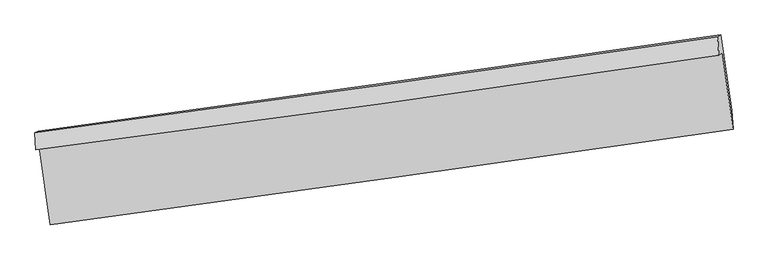
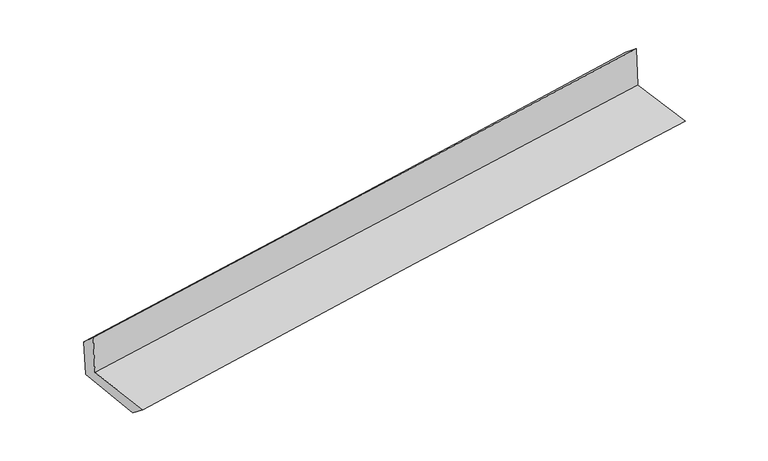
"""IFC4 building model written with IfcOpenShell, lengths in millimetres: proxy geometry."""

from ifc_helpers import new_model, si_unit, frame, origin, place, context, project, spatial, source, transform, mapped, element, save
from ifc_brep_helpers import plane_surface, spline_curve, spline_surface, advanced_brep


def generic_models_d4cd4dc3(model_context):
    return source(origin(), model_context, "Body", "AdvancedBrep", [
        advanced_brep(
        [(-2993.3981403, -1906.8928079, 1649.6365948), (-2898.9190548, -2580.2905794, 1628.9964927), (3039.4842761, -1750.192768, 2119.7109066), (2946.5088968, -1082.1463468, 2132.3544425), (-3023.8662984, -1927.9892633, 2047.8817136), (2915.2748522, -1103.7731096, 2540.6103588), (-3032.8904449, -1780.9173219, 1913.8450213), (2904.076613, -943.1751056, 2410.55072), (-3004.3359561, -1766.7222203, 1549.7781721), (2932.8312931, -928.880225, 2043.9221963), (-2910.0771055, -2422.9920857, 1503.6154836), (3027.0330507, -1585.4107738, 1997.7343004)],
        [
            (0, 1),
            (1, 2, spline_curve(3, [(-2898.9190548, -2580.2905794, 1628.9964927), (-1909.040790664, -2445.015402993, 1726.097300871), (-918.892532758, -2308.154095874, 1815.563560776), (1060.575989472, -2031.450446911, 1979.113956691), (2049.895508801, -1891.612483265, 2053.219168307), (3039.4842761, -1750.192768, 2119.7109066)], [4, 2, 4], [0.0, 9.87626788793948, 19.73889453308813])),
            (2, 3),
            (3, 0, spline_curve(3, [(2946.5088968, -1082.1463468, 2132.3544425), (1957.622413612, -1230.486538639, 2064.387728666), (968.529143614, -1373.341802417, 1990.209979544), (-1011.439296386, -1648.27247229, 1829.321223541), (-2002.31503864, -1780.332695867, 1742.59302336), (-2993.3981403, -1906.8928079, 1649.6365948)], [4, 2, 4], [0.0, 9.862626645148648, 19.73889453308813])),
            (4, 0),
            (3, 5),
            (5, 4, spline_curve(3, [(2915.2748522, -1103.7731096, 2540.6103588), (1926.652578919, -1251.93035993, 2469.1901941), (937.755240781, -1394.6499584, 2392.451445708), (-1041.957714792, -1669.403728454, 2228.223286968), (-2032.774093414, -1801.42284823, 2140.71915338), (-3023.8662984, -1927.9892633, 2047.8817136)], [4, 2, 4], [0.0, 9.862709481097893, 19.739060319559066])),
            (6, 4),
            (5, 7),
            (7, 6, spline_curve(3, [(2904.076613, -943.1751056, 2410.55072), (1915.765301998, -1087.817412611, 2328.597444792), (927.204476163, -1229.903939283, 2246.257538074), (-1051.783852195, -1509.158419542, 2080.690042407), (-2042.212045992, -1646.319298485, 1997.461382513), (-3032.8904449, -1780.9173219, 1913.8450213)], [4, 2, 4], [0.0, 9.86254174483152, 19.738724615026143])),
            (8, 6),
            (7, 9),
            (9, 8, spline_curve(3, [(2932.8312931, -928.880225, 2043.9221963), (1944.550260069, -1073.50849669, 1961.619208873), (955.987924232, -1215.596304, 1879.317503376), (-1023.06704692, -1494.884001781, 1714.602825274), (-2013.560460928, -1632.076859178, 1632.189855937), (-3004.3359561, -1766.7222203, 1549.7781721)], [4, 2, 4], [0.0, 9.862503055170121, 19.738647182190718])),
            (10, 8),
            (9, 11),
            (11, 10, spline_curve(3, [(3027.0330507, -1585.4107738, 1997.7343004), (2038.625768473, -1726.593552038, 1915.700459123), (1050.005015349, -1866.9357286, 1833.535517847), (-929.031112215, -2146.131825878, 1668.829608263), (-1919.447078075, -2284.983420088, 1586.288277673), (-2910.0771055, -2422.9920857, 1503.6154836)], [4, 2, 4], [0.0, 9.862408227912143, 19.738457396516836])),
            (1, 10),
            (11, 2),
        ],
        [
            spline_surface(3, 3, [[(-2993.3981403, -1906.8928079, 1649.6365948), (-2002.315038608, -1780.332696017, 1742.59302332), (-1011.439296354, -1648.272472454, 1829.321223512), (968.529143582, -1373.341802253, 1990.209979572), (1957.622413716, -1230.486538772, 2064.38772865), (2946.5088968, -1082.1463468, 2132.3544425)], [(-2961.905111801, -2131.358731738, 1642.75656076), (-1971.223622579, -2001.8935983, 1737.094449175), (-980.590375156, -1868.233013619, 1824.735335927), (999.211425557, -1592.711350485, 1986.511305291), (1988.380112052, -1450.861853646, 2060.664875174), (2977.500689888, -1304.828487213, 2128.139930549)], [(-2930.412083299, -2355.824655562, 1635.87652674), (-1940.132206546, -2223.454500567, 1731.595875051), (-949.741453975, -2088.193554728, 1820.149448332), (1029.893707515, -1812.080898661, 1982.812631001), (2019.137810424, -1671.237168483, 2056.942021649), (3008.492483012, -1527.510627587, 2123.925418551)], [(-2898.9190548, -2580.2905794, 1628.9964927), (-1909.040790517, -2445.015402849, 1726.097300907), (-918.892532777, -2308.154095893, 1815.563560747), (1060.57598949, -2031.450446893, 1979.11395672), (2049.89550876, -1891.612483357, 2053.219168173), (3039.4842761, -1750.192768, 2119.7109066)]], [4, 4], [4, 2, 4], [0.0, 2.18354485835065], [0.0, 9.87626788793948, 19.73889453308813]),
            spline_surface(3, 3, [[(-3023.8662984, -1927.9892633, 2047.8817136), (-2032.774093345, -1801.422848158, 2140.71915331), (-1041.95771472, -1669.403728522, 2228.223286822), (937.755240709, -1394.649958332, 2392.451445853), (1926.652578977, -1251.930360039, 2469.190194071), (2915.2748522, -1103.7731096, 2540.6103588)], [(-3013.710245698, -1920.957111504, 1915.133340679), (-2022.621075097, -1794.392797448, 2008.010443325), (-1031.784908611, -1662.359976501, 2095.255932407), (948.01320832, -1387.54723964, 2258.370957115), (1936.975857227, -1244.782419612, 2334.256038923), (2925.686200404, -1096.564188662, 2404.525053358)], [(-3003.554193002, -1913.924959696, 1782.384967721), (-2012.468056855, -1787.362746727, 1875.301733304), (-1021.612102463, -1655.316224476, 1962.288577927), (958.271175971, -1380.444520945, 2124.290468311), (1947.299135466, -1237.634479199, 2199.321883799), (2936.097548596, -1089.355267738, 2268.439747942)], [(-2993.3981403, -1906.8928079, 1649.6365948), (-2002.315038608, -1780.332696017, 1742.59302332), (-1011.439296354, -1648.272472454, 1829.321223512), (968.529143582, -1373.341802253, 1990.209979572), (1957.622413716, -1230.486538772, 2064.38772865), (2946.5088968, -1082.1463468, 2132.3544425)]], [4, 4], [4, 2, 4], [0.0, 1.3198820851888824], [0.0, 9.876350838461173, 19.739060319559066]),
            spline_surface(3, 3, [[(-3032.8904449, -1780.9173219, 1913.8450213), (-2042.212045946, -1646.319298429, 1997.461382431), (-1051.78385232, -1509.158419537, 2080.690042262), (927.204476288, -1229.903939288, 2246.257538218), (1915.765301952, -1087.817412745, 2328.59744466), (2904.076613, -943.1751056, 2410.55072)], [(-3029.882396062, -1829.941302354, 1958.523918718), (-2039.066061741, -1698.020481659, 2045.213972709), (-1048.508473131, -1562.573522524, 2129.867790426), (930.721397751, -1284.819278961, 2294.988840741), (1919.394394281, -1142.52172851, 2375.46169447), (2907.809359387, -996.7077736, 2453.903932939)], [(-3026.874347238, -1878.965282846, 2003.202816182), (-2035.92007755, -1749.721664928, 2092.966563032), (-1045.233093909, -1615.988625535, 2179.045538658), (934.238319246, -1339.734618659, 2343.720143331), (1923.023486648, -1197.226044274, 2422.325944262), (2911.542105813, -1050.2404416, 2497.257145861)], [(-3023.8662984, -1927.9892633, 2047.8817136), (-2032.774093345, -1801.422848158, 2140.71915331), (-1041.95771472, -1669.403728522, 2228.223286822), (937.755240709, -1394.649958332, 2392.451445853), (1926.652578977, -1251.930360039, 2469.190194071), (2915.2748522, -1103.7731096, 2540.6103588)]], [4, 4], [4, 2, 4], [0.0, 0.7193708345917478], [0.0, 9.876182870194624, 19.738724615026143]),
            spline_surface(3, 3, [[(-3004.3359561, -1766.7222203, 1549.7781721), (-2013.560460795, -1632.076859335, 1632.189855813), (-1023.067046866, -1494.884001649, 1714.602825189), (955.987924178, -1215.596304132, 1879.317503461), (1944.550259978, -1073.508496716, 1961.619208839), (2932.8312931, -928.880225, 2043.9221963)], [(-3013.854119013, -1771.453920828, 1671.133788513), (-2023.110989158, -1636.824339028, 1753.947031365), (-1032.639315329, -1499.642140943, 1836.631897565), (946.39344157, -1220.365515849, 2001.630848399), (1934.955273992, -1078.278135388, 2083.94528745), (2923.246399756, -933.645185195, 2166.131704204)], [(-3023.372281987, -1776.185621372, 1792.489404887), (-2032.661517583, -1641.571818736, 1875.704206879), (-1042.211583857, -1504.400280243, 1958.660969886), (936.798958896, -1225.134727572, 2123.94419328), (1925.360287938, -1083.047774074, 2206.271366049), (2913.661506344, -938.410145405, 2288.341212096)], [(-3032.8904449, -1780.9173219, 1913.8450213), (-2042.212045946, -1646.319298429, 1997.461382431), (-1051.78385232, -1509.158419537, 2080.690042262), (927.204476288, -1229.903939288, 2246.257538218), (1915.765301952, -1087.817412745, 2328.59744466), (2904.076613, -943.1751056, 2410.55072)]], [4, 4], [4, 2, 4], [0.0, 1.2070753743682496], [0.0, 9.876144127020597, 19.738647182190718]),
            spline_surface(3, 3, [[(-2910.0771055, -2422.9920857, 1503.6154836), (-1919.447078178, -2284.983420214, 1586.288277651), (-929.03111234, -2146.131826013, 1668.829608369), (1050.005015474, -1866.935728464, 1833.53551774), (2038.625768366, -1726.593552019, 1915.700459266), (3027.0330507, -1585.4107738, 1997.7343004)], [(-2941.496722374, -2204.235463912, 1519.003046449), (-1950.818205724, -2067.347899933, 1601.58880372), (-960.376423867, -1929.04921788, 1684.087347296), (1018.665985023, -1649.822587008, 1848.796179634), (2007.267265564, -1508.898533591, 1931.006709117), (2995.632464827, -1366.56725754, 2013.130265693)], [(-2972.916339226, -1985.478842088, 1534.390609251), (-1982.189333249, -1849.712379617, 1616.889329744), (-991.721735338, -1711.966609783, 1699.345086262), (987.326954629, -1432.709445588, 1864.056841567), (1975.90876278, -1291.203515144, 1946.312958988), (2964.231878973, -1147.72374126, 2028.526231007)], [(-3004.3359561, -1766.7222203, 1549.7781721), (-2013.560460795, -1632.076859335, 1632.189855813), (-1023.067046866, -1494.884001649, 1714.602825189), (955.987924178, -1215.596304132, 1879.317503461), (1944.550259978, -1073.508496716, 1961.619208839), (2932.8312931, -928.880225, 2043.9221963)]], [4, 4], [4, 2, 4], [0.0, 2.1641606750568707], [0.0, 9.876049168604693, 19.738457396516836]),
            spline_surface(3, 3, [[(-2898.9190548, -2580.2905794, 1628.9964927), (-1909.040790517, -2445.015402849, 1726.097300907), (-918.892532777, -2308.154095893, 1815.563560747), (1060.57598949, -2031.450446893, 1979.11395672), (2049.89550876, -1891.612483357, 2053.219168173), (3039.4842761, -1750.192768, 2119.7109066)], [(-2902.638405052, -2527.857748164, 1587.202822982), (-1912.509553089, -2391.671408635, 1679.494293136), (-922.272059282, -2254.146672603, 1766.65224328), (1057.0523315, -1976.61220742, 1930.587810386), (2046.138928633, -1836.606172902, 2007.379598526), (3035.333867638, -1695.265436591, 2079.052037856)], [(-2906.357755248, -2475.424916936, 1545.409153318), (-1915.978315606, -2338.327414428, 1632.891285421), (-925.651585834, -2200.139249303, 1717.740925836), (1053.528673464, -1921.773967937, 1882.061664074), (2042.382348493, -1781.599862474, 1961.540028912), (3031.183459162, -1640.338105209, 2038.393169144)], [(-2910.0771055, -2422.9920857, 1503.6154836), (-1919.447078178, -2284.983420214, 1586.288277651), (-929.03111234, -2146.131826013, 1668.829608369), (1050.005015474, -1866.935728464, 1833.53551774), (2038.625768366, -1726.593552019, 1915.700459266), (3027.0330507, -1585.4107738, 1997.7343004)]], [4, 4], [4, 2, 4], [0.0, 0.7197322091575946], [0.0, 9.876003047554738, 19.73836521811998]),
            plane_surface(frame((2960.8681637, -1232.2630548, 2207.4804874), z_axis=(0.9872710770964248, 0.13583775823564645, 0.08272801077252755), x_axis=(-0.0781308956196342, -0.03884139283198734, 0.9961861820726812))),
            plane_surface(frame((-2977.2478333, -2064.3007131, 1715.6255797), z_axis=(-0.9872513415838913, -0.13597753293462836, -0.08273390524941363), x_axis=(-0.13887724431990184, 0.9898447508075627, 0.030339418399572972))),
        ],
        [
            (0, [[1, 2, 3, 4]]),
            (1, [[5, -4, 6, 7]]),
            (2, [[8, -7, 9, 10]]),
            (3, [[11, -10, 12, 13]]),
            (4, [[14, -13, 15, 16]]),
            (5, [[17, -16, 18, -2]]),
            (6, [[-12, -9, -6, -3, -18, -15]]),
            (7, [[-1, -5, -8, -11, -14, -17]]),
        ],
    ),
    ])


if __name__ == "__main__":
    model = new_model("IFC4")
    model_context = context("Model", 3, world=origin())
    ifc_project = project(units=[si_unit("LENGTHUNIT", "METRE", prefix="MILLI")], contexts=[model_context])
    site = spatial("IfcSite", under=ifc_project)
    building = spatial("IfcBuilding", under=site)
    placement = place(None, origin())
    generic_models_shape = generic_models_d4cd4dc3(model_context)
    element("IfcBuildingElementProxy", 1, Name="Generic Models", at=placement, inside=building, context=model_context, shape_type="MappedRepresentation", body=[
        mapped(generic_models_shape, transform((0.0, 0.0, 0.0), x_axis=(1.0, 0.0, 0.0), y_axis=(0.0, 1.0, 0.0), z_axis=(0.0, 0.0, 1.0))),
    ])
    save(model, "model.ifc")
